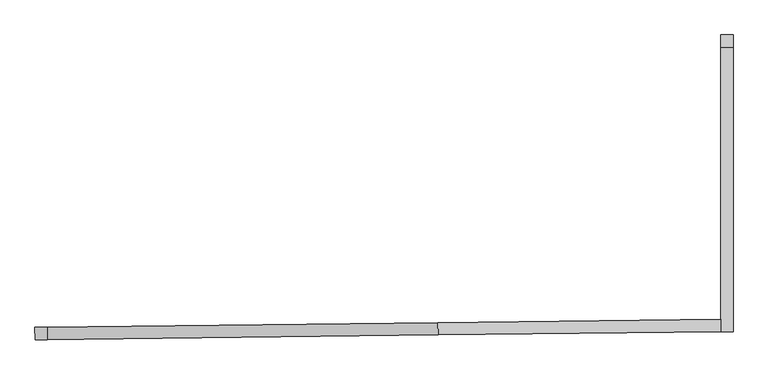
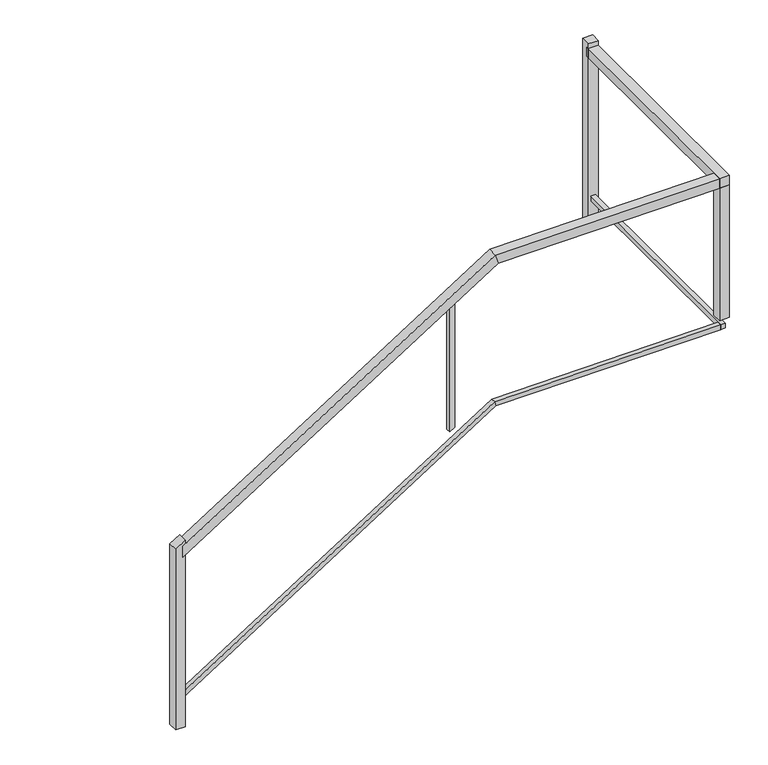
"""IFC4 building model written with IfcOpenShell, lengths in millimetres: railing geometry."""

from ifc_helpers import new_model, si_unit, frame, origin, place, context, project, spatial, polyline, outline, extrude, faceted_brep, source, transform, mapped, element, save


def railing_d27944e7(model_context):
    return source(origin(), model_context, "Body", "SolidModel", [
        faceted_brep([(-19909.534235, 118233.7696213, 7257.0387915), (-19910.1252658, 118284.566183, 7257.0387915), (-19910.1252658, 118284.566183, 7197.2120652), (-19909.534235, 118233.7696213, 7197.2120652), (-18284.8997267, 118252.6726521, 8267.7254283), (-18285.4907575, 118303.4692138, 8267.7254283), (-18270.9806903, 118303.6380421, 8216.9254283), (-18270.3896595, 118252.8414804, 8216.9254283), (-17119.2805784, 118266.2349238, 8267.7254283), (-17119.2805784, 118266.2349238, 8216.9254283), (-17119.2805784, 118317.0383623, 8216.9254283), (-17119.2805784, 118317.0383623, 8267.7254283)], [[[0, 1, 2, 3]], [[1, 0, 4, 5]], [[2, 1, 5, 6]], [[3, 2, 6, 7]], [[0, 3, 7, 4]], [[8, 9, 10, 11]], [[5, 4, 8, 11]], [[6, 5, 11, 10]], [[7, 6, 10, 9]], [[4, 7, 9, 8]]]),
        faceted_brep([(-17068.4805784, 118266.8259946, 8267.7254283), (-17119.2805784, 118266.2349238, 8267.7254283), (-17119.2805784, 118266.2349238, 8216.9254283), (-17068.4805784, 118266.8259946, 8216.9254283), (-17068.4805784, 119452.2077715, 8267.7254283), (-17068.4805784, 119452.2077715, 8216.9254283), (-17119.2805784, 119452.2077715, 8216.9254283), (-17119.2805784, 119452.2077715, 8267.7254283)], [[[0, 1, 2, 3]], [[4, 5, 6, 7]], [[1, 0, 4, 7]], [[2, 1, 7, 6]], [[3, 2, 6, 5]], [[0, 3, 5, 4]]]),
        faceted_brep([(-19909.6819927, 118246.4687617, 6444.4821099), (-19909.9775081, 118271.8670426, 6444.4821099), (-19909.9775081, 118271.8670426, 6414.5687468), (-19909.6819927, 118246.4687617, 6414.5687468), (-18281.4199676, 118265.4139996, 7457.4254283), (-18281.715483, 118290.8122804, 7457.4254283), (-18274.4604494, 118290.8966946, 7432.0254283), (-18274.164934, 118265.4984137, 7432.0254283), (-17106.5805784, 118279.0835512, 7457.4254283), (-17106.5805784, 118279.0835512, 7432.0254283), (-17106.5805784, 118304.4852704, 7432.0254283), (-17106.5805784, 118304.4852704, 7457.4254283)], [[[0, 1, 2, 3]], [[1, 0, 4, 5]], [[2, 1, 5, 6]], [[3, 2, 6, 7]], [[0, 3, 7, 4]], [[8, 9, 10, 11]], [[5, 4, 8, 11]], [[6, 5, 11, 10]], [[7, 6, 10, 9]], [[4, 7, 9, 8]]]),
        faceted_brep([(-17081.1805784, 118279.3790865, 7457.4254283), (-17106.5805784, 118279.0835512, 7457.4254283), (-17106.5805784, 118279.0835512, 7432.0254283), (-17081.1805784, 118279.3790865, 7432.0254283), (-17081.1805784, 119452.2077715, 7457.4254283), (-17081.1805784, 119452.2077715, 7432.0254283), (-17106.5805784, 119452.2077715, 7432.0254283), (-17106.5805784, 119452.2077715, 7457.4254283)], [[[0, 1, 2, 3]], [[4, 5, 6, 7]], [[1, 0, 4, 7]], [[2, 1, 7, 6]], [[3, 2, 6, 5]], [[0, 3, 5, 4]]]),
        extrude(outline(polyline([(29.9133631, 0.0), (416.2850511, -621.1176072), (386.371688, -621.1176071), (0.0, 0.0), (29.9133631, 0.0)])), frame((-18489.0082663, 118262.9986576, 8123.6278733), z_axis=(-0.011634463823801755, 0.9999323173352949, 0.0), x_axis=(-0.849061362423679, -0.009879042345216783, -0.5282018623230968)), (0.0, 0.0, 1.0), 25.4),
        extrude(outline(polyline([(-17119.5743746, 118317.0349439), (-17068.7778129, 118317.6259747), (-17068.1867822, 118266.829413), (-17118.9833439, 118266.2383822), (-17119.5743746, 118317.0349439)])), frame((0.0, 0.0, 7492.3254283), z_axis=(0.0, 0.0, 1.0), x_axis=(1.0, 0.0, 0.0)), (0.0, 0.0, 1.0), 724.6),
        extrude(outline(polyline([(-17119.2805784, 119439.5077715), (-17119.2805784, 119490.3077715), (-17068.4805784, 119490.3077715), (-17068.4805784, 119439.5077715), (-17119.2805784, 119439.5077715)])), frame((0.0, 0.0, 7292.3254283), z_axis=(0.0, 0.0, 1.0), x_axis=(1.0, 0.0, 0.0)), (0.0, 0.0, 1.0), 1000.9),
        extrude(outline(polyline([(59.8267262, 0.0), (580.1582255, -836.4667127), (537.0229888, -863.2993673), (0.0, 0.0), (59.8267262, 0.0)])), frame((-19896.8350946, 118233.917379, 7285.9255754), z_axis=(-0.011634463823801755, 0.9999323173352949, 0.0), x_axis=(-0.849061362423679, -0.009879042345216783, -0.5282018623230968)), (0.0, 0.0, 1.0), 50.8),
    ])


if __name__ == "__main__":
    model = new_model("IFC4")
    model_context = context("Model", 3, world=origin())
    ifc_project = project(units=[si_unit("LENGTHUNIT", "METRE", prefix="MILLI")], contexts=[model_context])
    site = spatial("IfcSite", under=ifc_project)
    building = spatial("IfcBuilding", under=site)
    placement = place(None, origin())
    railing_shape = railing_d27944e7(model_context)
    element("IfcRailing", 1, at=placement, inside=building, context=model_context, shape_type="MappedRepresentation", body=[
        mapped(railing_shape, transform((0.0, 0.0, 0.0), x_axis=(1.0, 0.0, 0.0), y_axis=(0.0, 1.0, 0.0), z_axis=(0.0, 0.0, 1.0))),
    ])
    save(model, "model.ifc")
